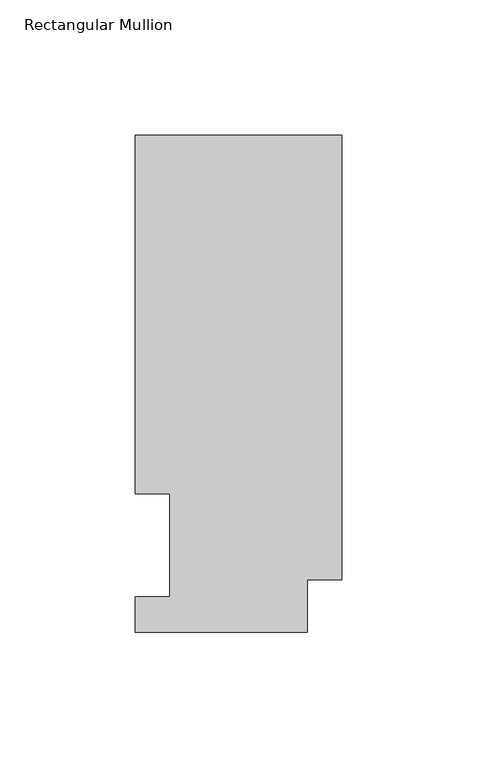
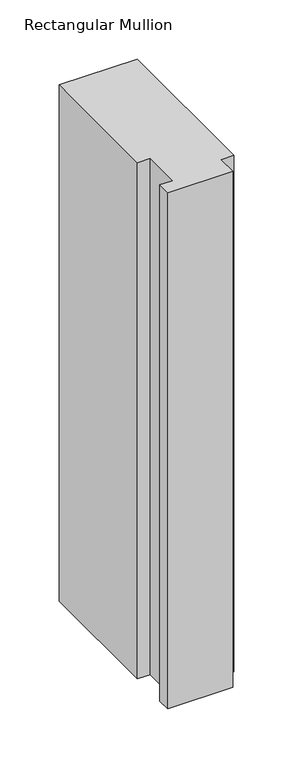
"""IFC4 building model written with IfcOpenShell, lengths in millimetres: member geometry, Rectangular Mullion."""

import ifcopenshell
import ifcopenshell.guid

model = None  # the IFC model being written
_history = None  # IfcOwnerHistory: only IFC2X3 demands one
_inside = {}  # id of a spatial element -> (the spatial element, [elements in it])
_under = {}  # id of a project, library or spatial element -> (it, [spatial elements below it])
_declared = {}  # id of a project -> (the project, [libraries it declares])
_typed = {}  # id of a type object -> (the type object, [elements of that type])
_made_of = {}  # id of a material, layer set ... -> (it, [elements and type objects made of it])


def new_model(schema):
    """Start an empty IFC model of exactly this schema.

    Asked for "IFC4X3", IfcOpenShell would pick the latest addendum, in which some entities
    have other attributes; the version numbers below select the first issue.
    IFC2X3 requires an IfcOwnerHistory on every rooted entity: one is made here for all.
    """
    global model, _history
    if schema == "IFC4X3":
        model = ifcopenshell.file(schema_version=(4, 3, 0, 0))
    else:
        model = ifcopenshell.file(schema=schema)
    _inside.clear()
    _under.clear()
    _declared.clear()
    _typed.clear()
    _made_of.clear()
    _history = None
    if model.schema == "IFC2X3":
        org = make("IfcOrganization", Name="unknown")
        user = make(
            "IfcPersonAndOrganization",
            ThePerson=make("IfcPerson", FamilyName="unknown"),
            TheOrganization=org,
        )
        app = make(
            "IfcApplication",
            ApplicationDeveloper=org,
            Version="unknown",
            ApplicationFullName="unknown",
            ApplicationIdentifier="unknown",
        )
        _history = make(
            "IfcOwnerHistory",
            OwningUser=user,
            OwningApplication=app,
            ChangeAction="ADDED",
            CreationDate=0,
        )
    return model


def make(cls, **values):
    """One entity of the class cls with the attributes given. An attribute that is None is left unset."""
    return model.create_entity(
        cls, **{name: value for name, value in values.items() if value is not None}
    )


def rooted(cls, **values):
    """An entity with a GlobalId (a new one), such as an element, a storey or a relation."""
    return make(cls, GlobalId=ifcopenshell.guid.new(), OwnerHistory=_history, **values)


def si_unit(unit_type, name, prefix=None):
    """IfcSIUnit, for example si_unit("LENGTHUNIT", "METRE", prefix="MILLI")."""
    return make("IfcSIUnit", UnitType=unit_type, Prefix=prefix, Name=name)


def assignment(units):
    """IfcUnitAssignment: the units of a project."""
    return None if units is None else make("IfcUnitAssignment", Units=units)


def point(xyz):
    """IfcCartesianPoint."""
    return None if xyz is None else make("IfcCartesianPoint", Coordinates=xyz)


def direction(xyz):
    """IfcDirection."""
    return None if xyz is None else make("IfcDirection", DirectionRatios=xyz)


def frame(location, z_axis=None, x_axis=None):
    """IfcAxis2Placement3D, a coordinate frame: its origin and axes. An axis left out is left unset."""
    return make(
        "IfcAxis2Placement3D",
        Location=point(location),
        Axis=direction(z_axis),
        RefDirection=direction(x_axis),
    )


def origin():
    """The frame at (0, 0, 0) with its axes left unset."""
    return frame((0.0, 0.0, 0.0))


def place(relative_to, where):
    """IfcLocalPlacement: puts the frame where relative to a parent placement (None: the world)."""
    return make(
        "IfcLocalPlacement", PlacementRelTo=relative_to, RelativePlacement=where
    )


def context(
    kind, dimensions, precision=None, world=None, true_north=None, identifier=None
):
    """IfcGeometricRepresentationContext, for example the 3D "Model" context."""
    return make(
        "IfcGeometricRepresentationContext",
        ContextIdentifier=identifier,
        ContextType=kind,
        CoordinateSpaceDimension=dimensions,
        Precision=precision,
        WorldCoordinateSystem=world,
        TrueNorth=true_north,
    )


def project(units=None, contexts=None):
    """IfcProject with its units and contexts."""
    return rooted(
        "IfcProject",
        Name="project",
        RepresentationContexts=contexts,
        UnitsInContext=assignment(units),
    )


def spatial(cls, under=None, at=None, **own):
    """A site, building, storey or space (cls), placed at a placement, below another one or the project."""
    s = rooted(cls, ObjectPlacement=at, **own)
    if under is not None:
        _under.setdefault(under.id(), (under, []))[1].append(s)
    return s


def polyline(points):
    """IfcPolyline through the points."""
    return make("IfcPolyline", Points=[point(p) for p in points])


def outline(outer, holes=None, kind="AREA"):
    """IfcArbitraryClosedProfileDef: a profile drawn as a closed curve; with holes, ...WithVoids."""
    if holes is None:
        return make("IfcArbitraryClosedProfileDef", ProfileType=kind, OuterCurve=outer)
    return make(
        "IfcArbitraryProfileDefWithVoids",
        ProfileType=kind,
        OuterCurve=outer,
        InnerCurves=holes,
    )


def extrude(swept, where, along, depth):
    """IfcExtrudedAreaSolid: the profile swept, set in the frame where, extruded along a direction by depth."""
    return make(
        "IfcExtrudedAreaSolid",
        SweptArea=swept,
        Position=where,
        ExtrudedDirection=direction(along),
        Depth=depth,
    )


def shape(context_of_items, identifier, shape_type, items):
    """IfcShapeRepresentation: the items that make up one representation, for example the "Body"."""
    return make(
        "IfcShapeRepresentation",
        ContextOfItems=context_of_items,
        RepresentationIdentifier=identifier,
        RepresentationType=shape_type,
        Items=items,
    )


def source(mapping_origin, context_of_items, identifier, shape_type, items):
    """IfcRepresentationMap: a shape defined once, which mapped items show again and again."""
    return make(
        "IfcRepresentationMap",
        MappingOrigin=mapping_origin,
        MappedRepresentation=shape(context_of_items, identifier, shape_type, items),
    )


def transform(
    local_origin,
    x_axis=None,
    y_axis=None,
    z_axis=None,
    scale=None,
    scale2=None,
    scale3=None,
    uniform=True,
):
    """IfcCartesianTransformationOperator3D, or its non-uniform kind. x_axis, y_axis, z_axis: its Axis1, 2, 3."""
    if uniform:
        return make(
            "IfcCartesianTransformationOperator3D",
            Axis1=direction(x_axis),
            Axis2=direction(y_axis),
            LocalOrigin=point(local_origin),
            Scale=scale,
            Axis3=direction(z_axis),
        )
    return make(
        "IfcCartesianTransformationOperator3DnonUniform",
        Axis1=direction(x_axis),
        Axis2=direction(y_axis),
        LocalOrigin=point(local_origin),
        Scale=scale,
        Axis3=direction(z_axis),
        Scale2=scale2,
        Scale3=scale3,
    )


def mapped(mapping_source, mapping_target):
    """IfcMappedItem: shows the shape of a source again, moved by a transform."""
    return make(
        "IfcMappedItem", MappingSource=mapping_source, MappingTarget=mapping_target
    )


def made_of(thing, what):
    """Note that an element or type object is made of a material, layer set ...; save() writes the relation."""
    if what is not None:
        _made_of.setdefault(what.id(), (what, []))[1].append(thing)
    return thing


def element(
    cls,
    number,
    at=None,
    inside=None,
    cuts=None,
    type_object=None,
    material=None,
    context=None,
    identifier="Body",
    shape_type=None,
    held_by="IfcProductDefinitionShape",
    body=None,
    shapes=None,
    **own,
):
    """One element of the class cls, such as IfcWall. Its Tag is "e" and its number.

    at: its placement. inside: the storey or other place that contains it. cuts: it is an
    opening in that element (IfcRelVoidsElement). A single representation is given by context,
    identifier, shape_type and body (its items); several are given by shapes. held_by: the class
    of the entity that holds the representations. save() writes the other relations.
    """
    e = rooted(cls, Tag="e%d" % number, ObjectPlacement=at, **own)
    if body is not None:
        shapes = [shape(context, identifier, shape_type, body)]
    if shapes is not None:
        e.Representation = make(held_by, Representations=shapes)
    if inside is not None:
        _inside.setdefault(inside.id(), (inside, []))[1].append(e)
    if cuts is not None:
        rooted(
            "IfcRelVoidsElement", RelatingBuildingElement=cuts, RelatedOpeningElement=e
        )
    if type_object is not None:
        _typed.setdefault(type_object.id(), (type_object, []))[1].append(e)
    return made_of(e, material)


def aggregate(whole, parts):
    """IfcRelAggregates: a whole, such as a stair, and the parts it consists of."""
    return rooted("IfcRelAggregates", RelatingObject=whole, RelatedObjects=parts)


def save(model, path):
    """Write the relations noted so far, then the file.

    IfcRelAggregates (storeys below a building ...), IfcRelContainedInSpatialStructure (elements
    in a storey), IfcRelDefinesByType, IfcRelAssociatesMaterial and IfcRelDeclares: one each for
    every whole, place, type object, material and project.
    """
    for whole, parts in _under.values():
        aggregate(whole, parts)
    for where, things in _inside.values():
        rooted(
            "IfcRelContainedInSpatialStructure",
            RelatedElements=things,
            RelatingStructure=where,
        )
    for kind, things in _typed.values():
        rooted("IfcRelDefinesByType", RelatedObjects=things, RelatingType=kind)
    for what, things in _made_of.values():
        rooted("IfcRelAssociatesMaterial", RelatedObjects=things, RelatingMaterial=what)
    for by, libraries in _declared.values():
        rooted("IfcRelDeclares", RelatingContext=by, RelatedDefinitions=libraries)
    model.write(path)


def rectangular_mullion_a02f469e(model_context):
    return source(origin(), model_context, "Body", "SweptSolid", [
        extrude(outline(polyline([(-76.2000004, 183.6764448), (0.0, 183.6764448), (0.0, 19.5670448), (-12.7, 19.5670448), (-12.7, 0.0344448), (-76.2, 0.0344446), (-76.2, 13.2170446), (-63.5127001, 13.2170446), (-63.5127002, 51.2960938), (-76.2000004, 51.2960938), (-76.2000004, 183.6764448)])), frame((0.0, 0.0, -533.4667963), z_axis=(0.0, 0.0, 1.0), x_axis=(1.0, 0.0, 0.0)), (0.0, 0.0, 1.0), 533.4667963),
    ])


if __name__ == "__main__":
    model = new_model("IFC4")
    model_context = context("Model", 3, world=origin())
    ifc_project = project(units=[si_unit("LENGTHUNIT", "METRE", prefix="MILLI")], contexts=[model_context])
    site = spatial("IfcSite", under=ifc_project)
    building = spatial("IfcBuilding", under=site)
    placement = place(None, origin())
    rectangular_mullion_shape = rectangular_mullion_a02f469e(model_context)
    element("IfcMember", 1, ObjectType="Rectangular Mullion", at=placement, inside=building, context=model_context, shape_type="MappedRepresentation", body=[
        mapped(rectangular_mullion_shape, transform((0.0, 0.0, 0.0), x_axis=(1.0, 0.0, 0.0), y_axis=(0.0, 1.0, 0.0), z_axis=(0.0, 0.0, 1.0))),
    ])
    save(model, "model.ifc")
